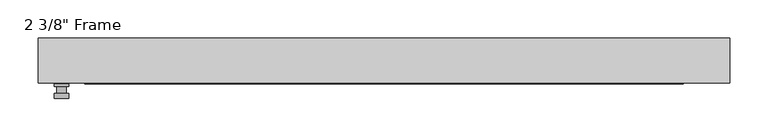
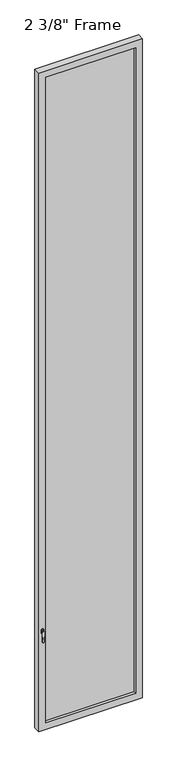
"""IFC4 building model written with IfcOpenShell, lengths in millimetres: plate geometry."""

from ifc_helpers import new_model, si_unit, frame, origin, place, context, project, spatial, polyline, circle_curve, outline, extrude, faceted_brep, source, transform, mapped, element, save
from ifc_brep_helpers import plane_surface, cylinder_surface, advanced_brep


def plate_8774b1ab(model_context):
    return source(origin(), model_context, "Body", "SolidModel", [
        advanced_brep(
        [(-410.5275, -29.36875, 927.1), (-410.5275, -29.36875, 901.7), (-429.5775, -29.36875, 901.7), (-429.5775, -29.36875, 927.1), (-413.7025, -42.06875, 914.4), (-426.4025, -42.06875, 914.4), (-426.4025, -32.54375, 914.4), (-413.7025, -32.54375, 914.4), (-410.5275, -42.06875, 914.4), (-413.7065356, -42.06875, 825.2736467), (-426.3984644, -42.06875, 825.2736467), (-429.5775, -42.06875, 914.4), (-410.5275, -48.41875, 914.4), (-429.5775, -48.41875, 914.4), (-426.3984644, -48.41875, 825.2736467), (-413.7065356, -48.41875, 825.2736467), (-410.5275, -32.54375, 927.1), (-429.5775, -32.54375, 927.1), (-429.5775, -32.54375, 901.7), (-410.5275, -32.54375, 901.7)],
        [
            (0, 1),
            (1, 2, circle_curve(frame((-420.0525, -29.36875, 901.7), z_axis=(0.0, 1.0, 0.0), x_axis=(-1.0, 0.0, 0.0)), 9.525)),
            (2, 3),
            (3, 0, circle_curve(frame((-420.0525, -29.36875, 927.1), z_axis=(0.0, 1.0, 0.0), x_axis=(-1.0, 0.0, 0.0)), 9.525)),
            (4, 5, circle_curve(frame((-420.0525, -42.06875, 914.4), z_axis=(0.0, 1.0, 0.0), x_axis=(-1.0, 0.0, 0.0)), 6.35)),
            (5, 6),
            (6, 7, circle_curve(frame((-420.0525, -32.54375, 914.4), z_axis=(0.0, -1.0, 0.0), x_axis=(-1.0, 0.0, 0.0)), 6.35)),
            (7, 4),
            (5, 4, circle_curve(frame((-420.0525, -42.06875, 914.4), z_axis=(0.0, 1.0, 0.0), x_axis=(-1.0, 0.0, 0.0)), 6.35)),
            (7, 6, circle_curve(frame((-420.0525, -32.54375, 914.4), z_axis=(0.0, -1.0, 0.0), x_axis=(-1.0, 0.0, 0.0)), 6.35)),
            (8, 9),
            (9, 10, circle_curve(frame((-420.0525, -42.06875, 825.5), z_axis=(0.0, 1.0, 0.0), x_axis=(-1.0, 0.0, 0.0)), 6.35)),
            (10, 11),
            (11, 8, circle_curve(frame((-420.0525, -42.06875, 914.4), z_axis=(0.0, 1.0, 0.0), x_axis=(-1.0, 0.0, 0.0)), 9.525)),
            (12, 13, circle_curve(frame((-420.0525, -48.41875, 914.4), z_axis=(0.0, -1.0, 0.0), x_axis=(-1.0, 0.0, 0.0)), 9.525)),
            (13, 14),
            (14, 15, circle_curve(frame((-420.0525, -48.41875, 825.5), z_axis=(0.0, -1.0, 0.0), x_axis=(-1.0, 0.0, 0.0)), 6.35)),
            (15, 12),
            (8, 12),
            (15, 9),
            (14, 10),
            (13, 11),
            (16, 17, circle_curve(frame((-420.0525, -32.54375, 927.1), z_axis=(0.0, -1.0, 0.0), x_axis=(-1.0, 0.0, 0.0)), 9.525)),
            (17, 18),
            (18, 19, circle_curve(frame((-420.0525, -32.54375, 901.7), z_axis=(0.0, -1.0, 0.0), x_axis=(-1.0, 0.0, 0.0)), 9.525)),
            (19, 16),
            (0, 16),
            (19, 1),
            (18, 2),
            (17, 3),
        ],
        [
            plane_surface(frame((-426.4025, -29.36875, 914.4), z_axis=(0.0, 1.0, 0.0), x_axis=(0.0, 0.0, 1.0))),
            cylinder_surface(frame((-420.0525, -42.06875, 914.4), z_axis=(0.0, 1.0, 0.0), x_axis=(-1.0, 0.0, 0.0)), 6.35),
            plane_surface(frame((-410.5275, -42.06875, 914.4), z_axis=(0.0, 1.0000000000000002, 0.0), x_axis=(-0.03564619348186888, 0.0, -0.9993644724975235))),
            plane_surface(frame((-410.5275, -48.41875, 914.4), z_axis=(0.0, -1.0000000000000002, 0.0), x_axis=(0.03564619348186888, 0.0, 0.9993644724975235))),
            plane_surface(frame((-410.5275, -42.06875, 914.4), z_axis=(0.9993644724975235, 0.0, -0.03564619348186888), x_axis=(0.0, -1.0, 0.0))),
            cylinder_surface(frame((-420.0525, -48.41875, 825.5), z_axis=(0.0, 1.0, 0.0), x_axis=(-1.0, 0.0, 0.0)), 6.35),
            plane_surface(frame((-426.3984644, -42.06875, 825.2736467), z_axis=(-0.9993644724975228, 0.0, -0.03564619348188612), x_axis=(0.0, -1.0, 0.0))),
            cylinder_surface(frame((-420.0525, -48.41875, 914.4), z_axis=(0.0, 1.0, 0.0), x_axis=(-1.0, 0.0, 0.0)), 9.525),
            plane_surface(frame((-410.5275, -32.54375, 901.7), z_axis=(0.0, -1.0, 0.0), x_axis=(0.0, 0.0, 1.0))),
            plane_surface(frame((-410.5275, -29.36875, 927.1), z_axis=(1.0, 0.0, 0.0), x_axis=(0.0, -1.0, 0.0))),
            cylinder_surface(frame((-420.0525, -32.54375, 901.7), z_axis=(0.0, 1.0, 0.0), x_axis=(-1.0, 0.0, 0.0)), 9.525),
            plane_surface(frame((-429.5775, -29.36875, 901.7), z_axis=(-1.0, 0.0, 0.0), x_axis=(0.0, -1.0, 0.0))),
            cylinder_surface(frame((-420.0525, -32.54375, 927.1), z_axis=(0.0, 1.0, 0.0), x_axis=(-1.0, 0.0, 0.0)), 9.525),
        ],
        [
            (0, [[1, 2, 3, 4]]),
            (1, [[5, 6, 7, 8]]),
            (1, [[9, -8, 10, -6]]),
            (2, [[11, 12, 13, 14], [-5, -9]]),
            (3, [[15, 16, 17, 18]]),
            (4, [[-11, 19, -18, 20]]),
            (5, [[-12, -20, -17, 21]]),
            (6, [[-13, -21, -16, 22]]),
            (7, [[-14, -22, -15, -19]]),
            (8, [[23, 24, 25, 26], [-7, -10]]),
            (9, [[-1, 27, -26, 28]]),
            (10, [[-2, -28, -25, 29]]),
            (11, [[-3, -29, -24, 30]]),
            (12, [[-4, -30, -23, -27]]),
        ],
    ),
        faceted_brep([(-450.215, -29.36875, 0.0), (-450.215, 29.36875, 0.0), (450.215, 29.36875, 0.0), (450.215, -29.36875, 0.0), (-389.89, 29.36875, 5988.05), (-389.89, 19.84375, 5988.05), (-389.89, 19.84375, 60.325), (-389.89, 29.36875, 60.325), (402.59, 19.84375, 6000.75), (-402.59, 19.84375, 6000.75), (-402.59, 19.84375, 47.625), (402.59, 19.84375, 47.625), (389.89, 19.84375, 5988.05), (389.89, 19.84375, 60.325), (-402.59, -3.96875, 6000.75), (-402.59, -3.96875, 47.625), (402.59, -3.96875, 6000.75), (402.59, -3.96875, 47.625), (-389.89, -3.96875, 5988.05), (-389.89, -3.96875, 60.325), (389.89, -3.96875, 60.325), (389.89, -3.96875, 5988.05), (-389.89, -29.36875, 5988.05), (-389.89, -29.36875, 60.325), (450.215, -29.36875, 6048.375), (-450.215, -29.36875, 6048.375), (389.89, -29.36875, 5988.05), (389.89, -29.36875, 60.325), (-450.215, 29.36875, 6048.375), (450.215, 29.36875, 6048.375), (389.89, 29.36875, 60.325), (389.89, 29.36875, 5988.05)], [[[0, 1, 2, 3]], [[4, 5, 6, 7]], [[8, 9, 10, 11], [5, 12, 13, 6]], [[10, 9, 14, 15]], [[14, 16, 17, 15], [18, 19, 20, 21]], [[18, 22, 23, 19]], [[0, 3, 24, 25], [22, 26, 27, 23]], [[1, 0, 25, 28]], [[2, 1, 28, 29], [4, 7, 30, 31]], [[5, 4, 31, 12]], [[9, 8, 16, 14]], [[18, 21, 26, 22]], [[25, 24, 29, 28]], [[12, 31, 30, 13]], [[17, 16, 8, 11]], [[26, 21, 20, 27]], [[24, 3, 2, 29]], [[23, 27, 20, 19]], [[11, 10, 15, 17]], [[6, 13, 30, 7]]]),
        extrude(outline(polyline([(402.59, -3.96875), (-402.59, -3.96875), (-402.59, 19.84375), (402.59, 19.84375), (402.59, -3.96875)])), frame((0.0, 0.0, 47.625), z_axis=(0.0, 0.0, 1.0), x_axis=(1.0, 0.0, 0.0)), (0.0, 0.0, 1.0), 5953.125),
    ])


if __name__ == "__main__":
    model = new_model("IFC4")
    model_context = context("Model", 3, world=origin())
    ifc_project = project(units=[si_unit("LENGTHUNIT", "METRE", prefix="MILLI")], contexts=[model_context])
    site = spatial("IfcSite", under=ifc_project)
    building = spatial("IfcBuilding", under=site)
    placement = place(None, origin())
    plate_shape = plate_8774b1ab(model_context)
    element("IfcPlate", 1, ObjectType="2 3/8\" Frame", at=placement, inside=building, context=model_context, shape_type="MappedRepresentation", body=[
        mapped(plate_shape, transform((0.0, 0.0, 0.0), x_axis=(1.0, 0.0, 0.0), y_axis=(0.0, 1.0, 0.0), z_axis=(0.0, 0.0, 1.0))),
    ])
    save(model, "model.ifc")
